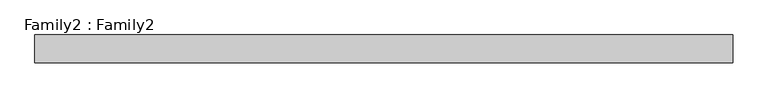
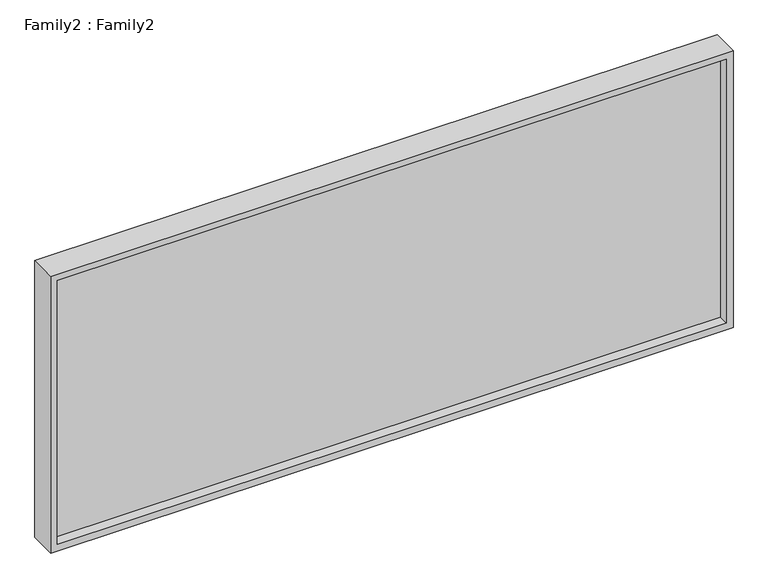
"""IFC4 building model written with IfcOpenShell, lengths in millimetres: plate geometry, Family2 : Family2."""

import ifcopenshell
import ifcopenshell.guid

model = None  # the IFC model being written
_history = None  # IfcOwnerHistory: only IFC2X3 demands one
_inside = {}  # id of a spatial element -> (the spatial element, [elements in it])
_under = {}  # id of a project, library or spatial element -> (it, [spatial elements below it])
_declared = {}  # id of a project -> (the project, [libraries it declares])
_typed = {}  # id of a type object -> (the type object, [elements of that type])
_made_of = {}  # id of a material, layer set ... -> (it, [elements and type objects made of it])


def new_model(schema):
    """Start an empty IFC model of exactly this schema.

    Asked for "IFC4X3", IfcOpenShell would pick the latest addendum, in which some entities
    have other attributes; the version numbers below select the first issue.
    IFC2X3 requires an IfcOwnerHistory on every rooted entity: one is made here for all.
    """
    global model, _history
    if schema == "IFC4X3":
        model = ifcopenshell.file(schema_version=(4, 3, 0, 0))
    else:
        model = ifcopenshell.file(schema=schema)
    _inside.clear()
    _under.clear()
    _declared.clear()
    _typed.clear()
    _made_of.clear()
    _history = None
    if model.schema == "IFC2X3":
        org = make("IfcOrganization", Name="unknown")
        user = make(
            "IfcPersonAndOrganization",
            ThePerson=make("IfcPerson", FamilyName="unknown"),
            TheOrganization=org,
        )
        app = make(
            "IfcApplication",
            ApplicationDeveloper=org,
            Version="unknown",
            ApplicationFullName="unknown",
            ApplicationIdentifier="unknown",
        )
        _history = make(
            "IfcOwnerHistory",
            OwningUser=user,
            OwningApplication=app,
            ChangeAction="ADDED",
            CreationDate=0,
        )
    return model


def make(cls, **values):
    """One entity of the class cls with the attributes given. An attribute that is None is left unset."""
    return model.create_entity(
        cls, **{name: value for name, value in values.items() if value is not None}
    )


def rooted(cls, **values):
    """An entity with a GlobalId (a new one), such as an element, a storey or a relation."""
    return make(cls, GlobalId=ifcopenshell.guid.new(), OwnerHistory=_history, **values)


def si_unit(unit_type, name, prefix=None):
    """IfcSIUnit, for example si_unit("LENGTHUNIT", "METRE", prefix="MILLI")."""
    return make("IfcSIUnit", UnitType=unit_type, Prefix=prefix, Name=name)


def assignment(units):
    """IfcUnitAssignment: the units of a project."""
    return None if units is None else make("IfcUnitAssignment", Units=units)


def point(xyz):
    """IfcCartesianPoint."""
    return None if xyz is None else make("IfcCartesianPoint", Coordinates=xyz)


def direction(xyz):
    """IfcDirection."""
    return None if xyz is None else make("IfcDirection", DirectionRatios=xyz)


def frame(location, z_axis=None, x_axis=None):
    """IfcAxis2Placement3D, a coordinate frame: its origin and axes. An axis left out is left unset."""
    return make(
        "IfcAxis2Placement3D",
        Location=point(location),
        Axis=direction(z_axis),
        RefDirection=direction(x_axis),
    )


def origin():
    """The frame at (0, 0, 0) with its axes left unset."""
    return frame((0.0, 0.0, 0.0))


def place(relative_to, where):
    """IfcLocalPlacement: puts the frame where relative to a parent placement (None: the world)."""
    return make(
        "IfcLocalPlacement", PlacementRelTo=relative_to, RelativePlacement=where
    )


def context(
    kind, dimensions, precision=None, world=None, true_north=None, identifier=None
):
    """IfcGeometricRepresentationContext, for example the 3D "Model" context."""
    return make(
        "IfcGeometricRepresentationContext",
        ContextIdentifier=identifier,
        ContextType=kind,
        CoordinateSpaceDimension=dimensions,
        Precision=precision,
        WorldCoordinateSystem=world,
        TrueNorth=true_north,
    )


def project(units=None, contexts=None):
    """IfcProject with its units and contexts."""
    return rooted(
        "IfcProject",
        Name="project",
        RepresentationContexts=contexts,
        UnitsInContext=assignment(units),
    )


def spatial(cls, under=None, at=None, **own):
    """A site, building, storey or space (cls), placed at a placement, below another one or the project."""
    s = rooted(cls, ObjectPlacement=at, **own)
    if under is not None:
        _under.setdefault(under.id(), (under, []))[1].append(s)
    return s


def polyline(points):
    """IfcPolyline through the points."""
    return make("IfcPolyline", Points=[point(p) for p in points])


def outline(outer, holes=None, kind="AREA"):
    """IfcArbitraryClosedProfileDef: a profile drawn as a closed curve; with holes, ...WithVoids."""
    if holes is None:
        return make("IfcArbitraryClosedProfileDef", ProfileType=kind, OuterCurve=outer)
    return make(
        "IfcArbitraryProfileDefWithVoids",
        ProfileType=kind,
        OuterCurve=outer,
        InnerCurves=holes,
    )


def extrude(swept, where, along, depth):
    """IfcExtrudedAreaSolid: the profile swept, set in the frame where, extruded along a direction by depth."""
    return make(
        "IfcExtrudedAreaSolid",
        SweptArea=swept,
        Position=where,
        ExtrudedDirection=direction(along),
        Depth=depth,
    )


def shape(context_of_items, identifier, shape_type, items):
    """IfcShapeRepresentation: the items that make up one representation, for example the "Body"."""
    return make(
        "IfcShapeRepresentation",
        ContextOfItems=context_of_items,
        RepresentationIdentifier=identifier,
        RepresentationType=shape_type,
        Items=items,
    )


def source(mapping_origin, context_of_items, identifier, shape_type, items):
    """IfcRepresentationMap: a shape defined once, which mapped items show again and again."""
    return make(
        "IfcRepresentationMap",
        MappingOrigin=mapping_origin,
        MappedRepresentation=shape(context_of_items, identifier, shape_type, items),
    )


def transform(
    local_origin,
    x_axis=None,
    y_axis=None,
    z_axis=None,
    scale=None,
    scale2=None,
    scale3=None,
    uniform=True,
):
    """IfcCartesianTransformationOperator3D, or its non-uniform kind. x_axis, y_axis, z_axis: its Axis1, 2, 3."""
    if uniform:
        return make(
            "IfcCartesianTransformationOperator3D",
            Axis1=direction(x_axis),
            Axis2=direction(y_axis),
            LocalOrigin=point(local_origin),
            Scale=scale,
            Axis3=direction(z_axis),
        )
    return make(
        "IfcCartesianTransformationOperator3DnonUniform",
        Axis1=direction(x_axis),
        Axis2=direction(y_axis),
        LocalOrigin=point(local_origin),
        Scale=scale,
        Axis3=direction(z_axis),
        Scale2=scale2,
        Scale3=scale3,
    )


def mapped(mapping_source, mapping_target):
    """IfcMappedItem: shows the shape of a source again, moved by a transform."""
    return make(
        "IfcMappedItem", MappingSource=mapping_source, MappingTarget=mapping_target
    )


def made_of(thing, what):
    """Note that an element or type object is made of a material, layer set ...; save() writes the relation."""
    if what is not None:
        _made_of.setdefault(what.id(), (what, []))[1].append(thing)
    return thing


def element(
    cls,
    number,
    at=None,
    inside=None,
    cuts=None,
    type_object=None,
    material=None,
    context=None,
    identifier="Body",
    shape_type=None,
    held_by="IfcProductDefinitionShape",
    body=None,
    shapes=None,
    **own,
):
    """One element of the class cls, such as IfcWall. Its Tag is "e" and its number.

    at: its placement. inside: the storey or other place that contains it. cuts: it is an
    opening in that element (IfcRelVoidsElement). A single representation is given by context,
    identifier, shape_type and body (its items); several are given by shapes. held_by: the class
    of the entity that holds the representations. save() writes the other relations.
    """
    e = rooted(cls, Tag="e%d" % number, ObjectPlacement=at, **own)
    if body is not None:
        shapes = [shape(context, identifier, shape_type, body)]
    if shapes is not None:
        e.Representation = make(held_by, Representations=shapes)
    if inside is not None:
        _inside.setdefault(inside.id(), (inside, []))[1].append(e)
    if cuts is not None:
        rooted(
            "IfcRelVoidsElement", RelatingBuildingElement=cuts, RelatedOpeningElement=e
        )
    if type_object is not None:
        _typed.setdefault(type_object.id(), (type_object, []))[1].append(e)
    return made_of(e, material)


def aggregate(whole, parts):
    """IfcRelAggregates: a whole, such as a stair, and the parts it consists of."""
    return rooted("IfcRelAggregates", RelatingObject=whole, RelatedObjects=parts)


def save(model, path):
    """Write the relations noted so far, then the file.

    IfcRelAggregates (storeys below a building ...), IfcRelContainedInSpatialStructure (elements
    in a storey), IfcRelDefinesByType, IfcRelAssociatesMaterial and IfcRelDeclares: one each for
    every whole, place, type object, material and project.
    """
    for whole, parts in _under.values():
        aggregate(whole, parts)
    for where, things in _inside.values():
        rooted(
            "IfcRelContainedInSpatialStructure",
            RelatedElements=things,
            RelatingStructure=where,
        )
    for kind, things in _typed.values():
        rooted("IfcRelDefinesByType", RelatedObjects=things, RelatingType=kind)
    for what, things in _made_of.values():
        rooted("IfcRelAssociatesMaterial", RelatedObjects=things, RelatingMaterial=what)
    for by, libraries in _declared.values():
        rooted("IfcRelDeclares", RelatingContext=by, RelatedDefinitions=libraries)
    model.write(path)


def family2_family2_5639c1cf(model_context):
    return source(origin(), model_context, "Body", "SweptSolid", [
        extrude(outline(polyline([(858.3333333, -1000.0), (0.0, -1000.0), (0.0, 1000.0), (858.3333333, 1000.0), (858.3333333, -1000.0)]), holes=[polyline([(20.0, -980.0), (838.3333333, -980.0), (838.3333333, 980.0), (20.0, 980.0), (20.0, -980.0)])]), frame((0.0, -40.0, 0.0), z_axis=(0.0, 1.0, 0.0), x_axis=(0.0, 0.0, 1.0)), (0.0, 0.0, 1.0), 80.0),
        extrude(outline(polyline([(980.0, 10.0), (980.0, -10.0), (-980.0, -10.0), (-980.0, 10.0), (980.0, 10.0)])), frame((0.0, 0.0, 20.0), z_axis=(0.0, 0.0, 1.0), x_axis=(1.0, 0.0, 0.0)), (0.0, 0.0, 1.0), 818.3333333),
    ])


if __name__ == "__main__":
    model = new_model("IFC4")
    model_context = context("Model", 3, world=origin())
    ifc_project = project(units=[si_unit("LENGTHUNIT", "METRE", prefix="MILLI")], contexts=[model_context])
    site = spatial("IfcSite", under=ifc_project)
    building = spatial("IfcBuilding", under=site)
    placement = place(None, origin())
    family2_family2_shape = family2_family2_5639c1cf(model_context)
    element("IfcPlate", 1, ObjectType="Family2 : Family2", at=placement, inside=building, context=model_context, shape_type="MappedRepresentation", body=[
        mapped(family2_family2_shape, transform((0.0, 0.0, 0.0), x_axis=(1.0, 0.0, 0.0), y_axis=(0.0, 1.0, 0.0), z_axis=(0.0, 0.0, 1.0))),
    ])
    save(model, "model.ifc")
